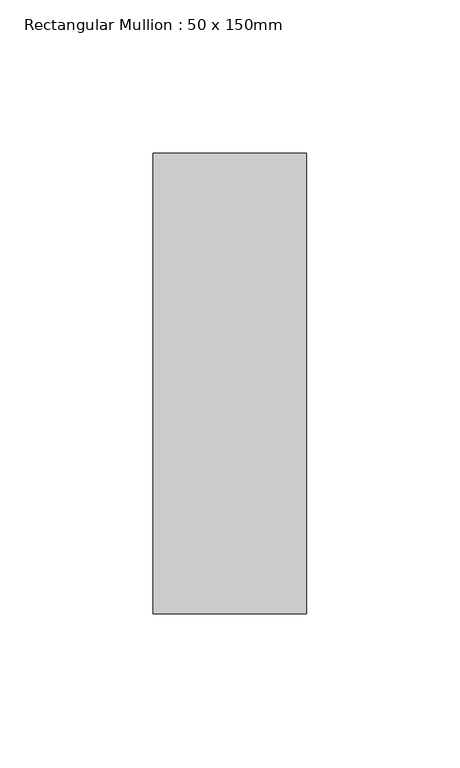
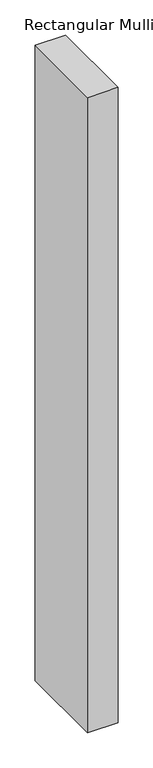
"""IFC4 building model written with IfcOpenShell, lengths in millimetres: member geometry, Rectangular Mullion : 50 x 150mm."""

from ifc_helpers import new_model, si_unit, frame, origin, place, context, project, spatial, polyline, outline, extrude, source, transform, mapped, element, save


def rectangular_mullion_50_x_150mm_c148e4f5(model_context):
    return source(origin(), model_context, "Body", "SweptSolid", [
        extrude(outline(polyline([(25.0, 75.0), (25.0, -75.0), (-25.0, -75.0), (-25.0, 75.0), (25.0, 75.0)])), frame((0.0, 0.0, -1104.3871581), z_axis=(0.0, 0.0, 1.0), x_axis=(1.0, 0.0, 0.0)), (0.0, 0.0, 1.0), 1104.3871581),
    ])


if __name__ == "__main__":
    model = new_model("IFC4")
    model_context = context("Model", 3, world=origin())
    ifc_project = project(units=[si_unit("LENGTHUNIT", "METRE", prefix="MILLI")], contexts=[model_context])
    site = spatial("IfcSite", under=ifc_project)
    building = spatial("IfcBuilding", under=site)
    placement = place(None, origin())
    rectangular_mullion_50_x_150mm_shape = rectangular_mullion_50_x_150mm_c148e4f5(model_context)
    element("IfcMember", 1, ObjectType="Rectangular Mullion : 50 x 150mm", at=placement, inside=building, context=model_context, shape_type="MappedRepresentation", body=[
        mapped(rectangular_mullion_50_x_150mm_shape, transform((0.0, 0.0, 0.0), x_axis=(1.0, 0.0, 0.0), y_axis=(0.0, 1.0, 0.0), z_axis=(0.0, 0.0, 1.0))),
    ])
    save(model, "model.ifc")
